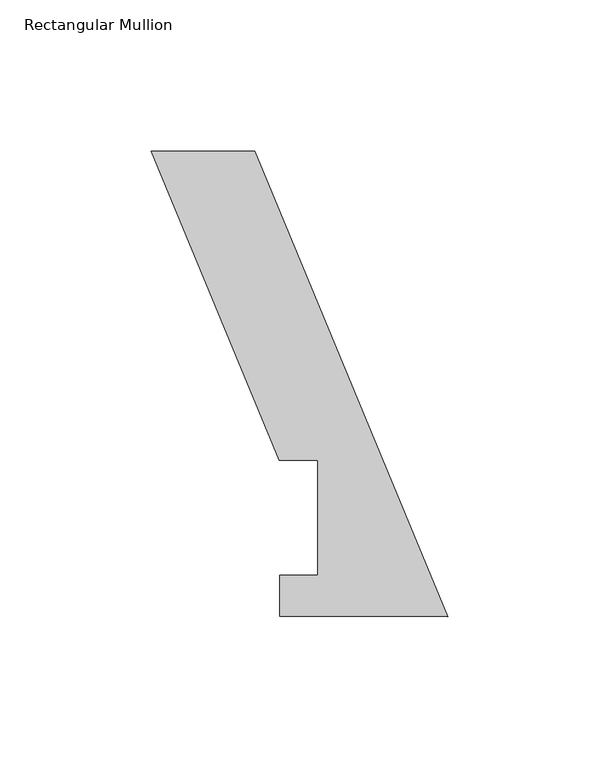
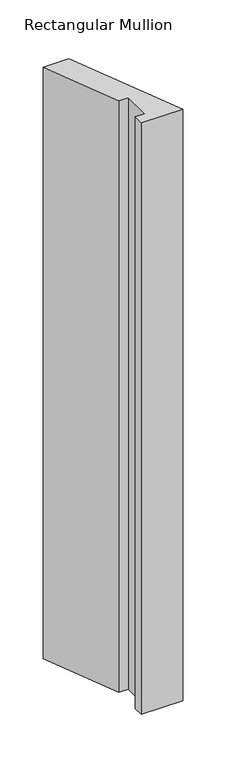
"""IFC4 building model written with IfcOpenShell, lengths in millimetres: member geometry, Rectangular Mullion."""

from ifc_helpers import new_model, si_unit, frame, origin, place, context, project, spatial, polyline, outline, extrude, source, transform, mapped, element, save


def rectangular_mullion_00ad78e3(model_context):
    return source(origin(), model_context, "Body", "SweptSolid", [
        extrude(outline(polyline([(0.0, 0.0293687), (-55.5502881, 0.0542806), (-55.5502881, 13.6178806), (-43.0055736, 13.6178806), (-43.0055736, 51.6929687), (-55.7657162, 51.6929688), (-98.2041999, 154.1485318), (-63.8382476, 154.1485318), (0.0, 0.0293687)])), frame((0.0, 0.0, -838.2), z_axis=(0.0, 0.0, 1.0), x_axis=(1.0, 0.0, 0.0)), (0.0, 0.0, 1.0), 838.2),
    ])


if __name__ == "__main__":
    model = new_model("IFC4")
    model_context = context("Model", 3, world=origin())
    ifc_project = project(units=[si_unit("LENGTHUNIT", "METRE", prefix="MILLI")], contexts=[model_context])
    site = spatial("IfcSite", under=ifc_project)
    building = spatial("IfcBuilding", under=site)
    placement = place(None, origin())
    rectangular_mullion_shape = rectangular_mullion_00ad78e3(model_context)
    element("IfcMember", 1, ObjectType="Rectangular Mullion", at=placement, inside=building, context=model_context, shape_type="MappedRepresentation", body=[
        mapped(rectangular_mullion_shape, transform((0.0, 0.0, 0.0), x_axis=(1.0, 0.0, 0.0), y_axis=(0.0, 1.0, 0.0), z_axis=(0.0, 0.0, 1.0))),
    ])
    save(model, "model.ifc")
